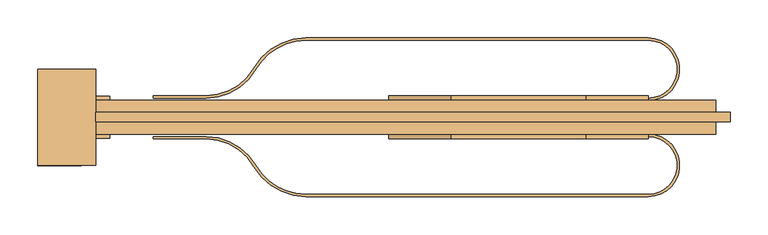
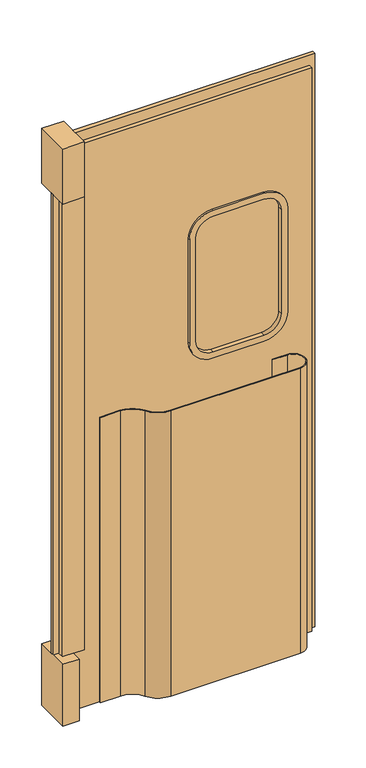
"""IFC4 building model written with IfcOpenShell, lengths in millimetres: door geometry."""

import ifcopenshell
import ifcopenshell.guid

model = None  # the IFC model being written
_history = None  # IfcOwnerHistory: only IFC2X3 demands one
_inside = {}  # id of a spatial element -> (the spatial element, [elements in it])
_under = {}  # id of a project, library or spatial element -> (it, [spatial elements below it])
_declared = {}  # id of a project -> (the project, [libraries it declares])
_typed = {}  # id of a type object -> (the type object, [elements of that type])
_made_of = {}  # id of a material, layer set ... -> (it, [elements and type objects made of it])


def new_model(schema):
    """Start an empty IFC model of exactly this schema.

    Asked for "IFC4X3", IfcOpenShell would pick the latest addendum, in which some entities
    have other attributes; the version numbers below select the first issue.
    IFC2X3 requires an IfcOwnerHistory on every rooted entity: one is made here for all.
    """
    global model, _history
    if schema == "IFC4X3":
        model = ifcopenshell.file(schema_version=(4, 3, 0, 0))
    else:
        model = ifcopenshell.file(schema=schema)
    _inside.clear()
    _under.clear()
    _declared.clear()
    _typed.clear()
    _made_of.clear()
    _history = None
    if model.schema == "IFC2X3":
        org = make("IfcOrganization", Name="unknown")
        user = make(
            "IfcPersonAndOrganization",
            ThePerson=make("IfcPerson", FamilyName="unknown"),
            TheOrganization=org,
        )
        app = make(
            "IfcApplication",
            ApplicationDeveloper=org,
            Version="unknown",
            ApplicationFullName="unknown",
            ApplicationIdentifier="unknown",
        )
        _history = make(
            "IfcOwnerHistory",
            OwningUser=user,
            OwningApplication=app,
            ChangeAction="ADDED",
            CreationDate=0,
        )
    return model


def make(cls, **values):
    """One entity of the class cls with the attributes given. An attribute that is None is left unset."""
    return model.create_entity(
        cls, **{name: value for name, value in values.items() if value is not None}
    )


def rooted(cls, **values):
    """An entity with a GlobalId (a new one), such as an element, a storey or a relation."""
    return make(cls, GlobalId=ifcopenshell.guid.new(), OwnerHistory=_history, **values)


def si_unit(unit_type, name, prefix=None):
    """IfcSIUnit, for example si_unit("LENGTHUNIT", "METRE", prefix="MILLI")."""
    return make("IfcSIUnit", UnitType=unit_type, Prefix=prefix, Name=name)


def assignment(units):
    """IfcUnitAssignment: the units of a project."""
    return None if units is None else make("IfcUnitAssignment", Units=units)


def point(xyz):
    """IfcCartesianPoint."""
    return None if xyz is None else make("IfcCartesianPoint", Coordinates=xyz)


def direction(xyz):
    """IfcDirection."""
    return None if xyz is None else make("IfcDirection", DirectionRatios=xyz)


def frame(location, z_axis=None, x_axis=None):
    """IfcAxis2Placement3D, a coordinate frame: its origin and axes. An axis left out is left unset."""
    return make(
        "IfcAxis2Placement3D",
        Location=point(location),
        Axis=direction(z_axis),
        RefDirection=direction(x_axis),
    )


def frame_2d(location, x_axis=None):
    """IfcAxis2Placement2D, a coordinate frame in the plane: its origin and x axis."""
    return make(
        "IfcAxis2Placement2D", Location=point(location), RefDirection=direction(x_axis)
    )


def origin():
    """The frame at (0, 0, 0) with its axes left unset."""
    return frame((0.0, 0.0, 0.0))


def origin_with_axes():
    """The frame at (0, 0, 0) with the z axis (0, 0, 1) and the x axis (1, 0, 0) written out."""
    return frame((0.0, 0.0, 0.0), z_axis=(0.0, 0.0, 1.0), x_axis=(1.0, 0.0, 0.0))


def place(relative_to, where):
    """IfcLocalPlacement: puts the frame where relative to a parent placement (None: the world)."""
    return make(
        "IfcLocalPlacement", PlacementRelTo=relative_to, RelativePlacement=where
    )


def context(
    kind, dimensions, precision=None, world=None, true_north=None, identifier=None
):
    """IfcGeometricRepresentationContext, for example the 3D "Model" context."""
    return make(
        "IfcGeometricRepresentationContext",
        ContextIdentifier=identifier,
        ContextType=kind,
        CoordinateSpaceDimension=dimensions,
        Precision=precision,
        WorldCoordinateSystem=world,
        TrueNorth=true_north,
    )


def project(units=None, contexts=None):
    """IfcProject with its units and contexts."""
    return rooted(
        "IfcProject",
        Name="project",
        RepresentationContexts=contexts,
        UnitsInContext=assignment(units),
    )


def spatial(cls, under=None, at=None, **own):
    """A site, building, storey or space (cls), placed at a placement, below another one or the project."""
    s = rooted(cls, ObjectPlacement=at, **own)
    if under is not None:
        _under.setdefault(under.id(), (under, []))[1].append(s)
    return s


def polyline(points):
    """IfcPolyline through the points."""
    return make("IfcPolyline", Points=[point(p) for p in points])


def circle_curve(where, radius):
    """IfcCircle in the frame where."""
    return make("IfcCircle", Position=where, Radius=radius)


def trimmed(basis, trim1, trim2, sense, master):
    """IfcTrimmedCurve: the piece of a basis curve between two trims."""
    return make(
        "IfcTrimmedCurve",
        BasisCurve=basis,
        Trim1=trim1,
        Trim2=trim2,
        SenseAgreement=sense,
        MasterRepresentation=master,
    )


def segment(curve, same_sense, transition):
    """IfcCompositeCurveSegment."""
    return make(
        "IfcCompositeCurveSegment",
        Transition=transition,
        SameSense=same_sense,
        ParentCurve=curve,
    )


def composite_curve(segments, self_intersect=None):
    """IfcCompositeCurve: segments joined end to end."""
    return make("IfcCompositeCurve", Segments=segments, SelfIntersect=self_intersect)


def outline(outer, holes=None, kind="AREA"):
    """IfcArbitraryClosedProfileDef: a profile drawn as a closed curve; with holes, ...WithVoids."""
    if holes is None:
        return make("IfcArbitraryClosedProfileDef", ProfileType=kind, OuterCurve=outer)
    return make(
        "IfcArbitraryProfileDefWithVoids",
        ProfileType=kind,
        OuterCurve=outer,
        InnerCurves=holes,
    )


def extrude(swept, where, along, depth):
    """IfcExtrudedAreaSolid: the profile swept, set in the frame where, extruded along a direction by depth."""
    return make(
        "IfcExtrudedAreaSolid",
        SweptArea=swept,
        Position=where,
        ExtrudedDirection=direction(along),
        Depth=depth,
    )


def shape(context_of_items, identifier, shape_type, items):
    """IfcShapeRepresentation: the items that make up one representation, for example the "Body"."""
    return make(
        "IfcShapeRepresentation",
        ContextOfItems=context_of_items,
        RepresentationIdentifier=identifier,
        RepresentationType=shape_type,
        Items=items,
    )


def source(mapping_origin, context_of_items, identifier, shape_type, items):
    """IfcRepresentationMap: a shape defined once, which mapped items show again and again."""
    return make(
        "IfcRepresentationMap",
        MappingOrigin=mapping_origin,
        MappedRepresentation=shape(context_of_items, identifier, shape_type, items),
    )


def transform(
    local_origin,
    x_axis=None,
    y_axis=None,
    z_axis=None,
    scale=None,
    scale2=None,
    scale3=None,
    uniform=True,
):
    """IfcCartesianTransformationOperator3D, or its non-uniform kind. x_axis, y_axis, z_axis: its Axis1, 2, 3."""
    if uniform:
        return make(
            "IfcCartesianTransformationOperator3D",
            Axis1=direction(x_axis),
            Axis2=direction(y_axis),
            LocalOrigin=point(local_origin),
            Scale=scale,
            Axis3=direction(z_axis),
        )
    return make(
        "IfcCartesianTransformationOperator3DnonUniform",
        Axis1=direction(x_axis),
        Axis2=direction(y_axis),
        LocalOrigin=point(local_origin),
        Scale=scale,
        Axis3=direction(z_axis),
        Scale2=scale2,
        Scale3=scale3,
    )


def mapped(mapping_source, mapping_target):
    """IfcMappedItem: shows the shape of a source again, moved by a transform."""
    return make(
        "IfcMappedItem", MappingSource=mapping_source, MappingTarget=mapping_target
    )


def made_of(thing, what):
    """Note that an element or type object is made of a material, layer set ...; save() writes the relation."""
    if what is not None:
        _made_of.setdefault(what.id(), (what, []))[1].append(thing)
    return thing


def element(
    cls,
    number,
    at=None,
    inside=None,
    cuts=None,
    type_object=None,
    material=None,
    context=None,
    identifier="Body",
    shape_type=None,
    held_by="IfcProductDefinitionShape",
    body=None,
    shapes=None,
    **own,
):
    """One element of the class cls, such as IfcWall. Its Tag is "e" and its number.

    at: its placement. inside: the storey or other place that contains it. cuts: it is an
    opening in that element (IfcRelVoidsElement). A single representation is given by context,
    identifier, shape_type and body (its items); several are given by shapes. held_by: the class
    of the entity that holds the representations. save() writes the other relations.
    """
    e = rooted(cls, Tag="e%d" % number, ObjectPlacement=at, **own)
    if body is not None:
        shapes = [shape(context, identifier, shape_type, body)]
    if shapes is not None:
        e.Representation = make(held_by, Representations=shapes)
    if inside is not None:
        _inside.setdefault(inside.id(), (inside, []))[1].append(e)
    if cuts is not None:
        rooted(
            "IfcRelVoidsElement", RelatingBuildingElement=cuts, RelatedOpeningElement=e
        )
    if type_object is not None:
        _typed.setdefault(type_object.id(), (type_object, []))[1].append(e)
    return made_of(e, material)


def aggregate(whole, parts):
    """IfcRelAggregates: a whole, such as a stair, and the parts it consists of."""
    return rooted("IfcRelAggregates", RelatingObject=whole, RelatedObjects=parts)


def save(model, path):
    """Write the relations noted so far, then the file.

    IfcRelAggregates (storeys below a building ...), IfcRelContainedInSpatialStructure (elements
    in a storey), IfcRelDefinesByType, IfcRelAssociatesMaterial and IfcRelDeclares: one each for
    every whole, place, type object, material and project.
    """
    for whole, parts in _under.values():
        aggregate(whole, parts)
    for where, things in _inside.values():
        rooted(
            "IfcRelContainedInSpatialStructure",
            RelatedElements=things,
            RelatingStructure=where,
        )
    for kind, things in _typed.values():
        rooted("IfcRelDefinesByType", RelatedObjects=things, RelatingType=kind)
    for what, things in _made_of.values():
        rooted("IfcRelAssociatesMaterial", RelatedObjects=things, RelatingMaterial=what)
    for by, libraries in _declared.values():
        rooted("IfcRelDeclares", RelatingContext=by, RelatedDefinitions=libraries)
    model.write(path)


def door_0891ccdc(model_context):
    return source(origin(), model_context, "Body", "SweptSolid", [
        extrude(outline(composite_curve([segment(trimmed(circle_curve(frame_2d((1397.8083965, -964.2410438)), 76.2), [point((1397.8083965, -888.0410438))], [point((1463.7995322, -926.1410438))], False, "CARTESIAN"), True, "CONTINUOUS"), segment(trimmed(circle_curve(frame_2d((1529.790668, -888.0410438)), 76.2), [point((1463.7995322, -926.1410438))], [point((1529.790668, -964.2410438))], True, "CARTESIAN"), True, "CONTINUOUS"), segment(polyline([(1529.790668, -964.2410438), (1982.0083965, -964.2410438)]), True, "CONTINUOUS"), segment(trimmed(circle_curve(frame_2d((1982.0083965, -926.1410438)), 38.1), [point((1982.0083965, -964.2410438))], [point((1982.0083965, -888.0410438))], True, "CARTESIAN"), True, "CONTINUOUS"), segment(polyline([(1982.0083965, -888.0410438), (1931.2083965, -888.0410438), (1931.2083965, -884.8660438), (1982.0083965, -884.8660438)]), True, "CONTINUOUS"), segment(trimmed(circle_curve(frame_2d((1982.0083965, -926.1410438)), 41.275), [point((1982.0083965, -884.8660438))], [point((1982.0083965, -967.4160438))], False, "CARTESIAN"), True, "CONTINUOUS"), segment(polyline([(1982.0083965, -967.4160438), (1529.790668, -967.4160438)]), True, "CONTINUOUS"), segment(trimmed(circle_curve(frame_2d((1529.790668, -888.0410438)), 79.375), [point((1529.790668, -967.4160438))], [point((1461.0499016, -927.7285438))], False, "CARTESIAN"), True, "CONTINUOUS"), segment(trimmed(circle_curve(frame_2d((1397.8083965, -964.2410438)), 73.025), [point((1461.0499016, -927.7285438))], [point((1397.8083965, -891.2160438))], True, "CARTESIAN"), True, "CONTINUOUS"), segment(polyline([(1397.8083965, -891.2160438), (1327.9583965, -891.2160438), (1327.9583965, -888.0410438), (1397.8083965, -888.0410438)]), True, "CONTINUOUS")], self_intersect=False)), frame((0.0, 0.0, 12.7), z_axis=(0.0, 0.0, 1.0), x_axis=(1.0, 0.0, 0.0)), (0.0, 0.0, 1.0), 1054.1),
        extrude(outline(composite_curve([segment(polyline([(1397.8083965, -837.2410438), (1327.9583965, -837.2410438), (1327.9583965, -834.0660438), (1397.8083965, -834.0660438)]), True, "CONTINUOUS"), segment(trimmed(circle_curve(frame_2d((1397.8083965, -761.0410438)), 73.025), [point((1397.8083965, -834.0660438))], [point((1461.0499016, -797.5535438))], True, "CARTESIAN"), True, "CONTINUOUS"), segment(trimmed(circle_curve(frame_2d((1529.790668, -837.2410438)), 79.375), [point((1461.0499016, -797.5535438))], [point((1529.790668, -757.8660438))], False, "CARTESIAN"), True, "CONTINUOUS"), segment(polyline([(1529.790668, -757.8660438), (1982.0083965, -757.8660438)]), True, "CONTINUOUS"), segment(trimmed(circle_curve(frame_2d((1982.0083965, -799.1410438)), 41.275), [point((1982.0083965, -757.8660438))], [point((1982.0083965, -840.4160438))], False, "CARTESIAN"), True, "CONTINUOUS"), segment(polyline([(1982.0083965, -840.4160438), (1931.2083965, -840.4160438), (1931.2083965, -837.2410438), (1982.0083965, -837.2410438)]), True, "CONTINUOUS"), segment(trimmed(circle_curve(frame_2d((1982.0083965, -799.1410438)), 38.1), [point((1982.0083965, -837.2410438))], [point((1982.0083965, -761.0410438))], True, "CARTESIAN"), True, "CONTINUOUS"), segment(polyline([(1982.0083965, -761.0410438), (1529.790668, -761.0410438)]), True, "CONTINUOUS"), segment(trimmed(circle_curve(frame_2d((1529.790668, -837.2410438)), 76.2), [point((1529.790668, -761.0410438))], [point((1463.7995322, -799.1410438))], True, "CARTESIAN"), True, "CONTINUOUS"), segment(trimmed(circle_curve(frame_2d((1397.8083965, -761.0410438)), 76.2), [point((1463.7995322, -799.1410438))], [point((1397.8083965, -837.2410438))], False, "CARTESIAN"), True, "CONTINUOUS")], self_intersect=False)), frame((0.0, 0.0, 12.7), z_axis=(0.0, 0.0, 1.0), x_axis=(1.0, 0.0, 0.0)), (0.0, 0.0, 1.0), 1054.1),
        extrude(outline(polyline([(1232.8406968, -926.1410438), (1175.6906968, -926.1410438), (1175.6906968, -799.1410438), (1232.8406968, -799.1410438), (1232.8406968, -926.1410438)])), origin_with_axes(), (0.0, 0.0, 1.0), 228.6),
        extrude(outline(polyline([(2095.5, 2071.0406968), (12.7, 2071.0406968), (12.7, 2090.0906968), (2133.6, 2090.0906968), (2133.6, 1251.8906968), (2095.5, 1251.8906968), (2095.5, 2071.0406968)])), frame((0.0, -868.9910438, 0.0), z_axis=(0.0, 1.0, 0.0), x_axis=(0.0, 0.0, 1.0)), (0.0, 0.0, 1.0), 12.7),
        extrude(outline(polyline([(1194.7406968, -868.9910438), (1175.6906968, -868.9910438), (1175.6906968, -856.2910438), (1194.7406968, -856.2910438), (1194.7406968, -868.9910438)])), frame((0.0, 0.0, 228.6), z_axis=(0.0, 0.0, 1.0), x_axis=(1.0, 0.0, 0.0)), (0.0, 0.0, 1.0), 1701.8),
        extrude(outline(polyline([(1270.9406968, -890.4222938), (1194.7406968, -890.4222938), (1194.7406968, -834.8597938), (1270.9406968, -834.8597938), (1270.9406968, -890.4222938)])), frame((0.0, 0.0, 228.6), z_axis=(0.0, 0.0, 1.0), x_axis=(1.0, 0.0, 0.0)), (0.0, 0.0, 1.0), 1701.8),
        extrude(outline(polyline([(1251.8906968, -926.1410438), (1175.6906968, -926.1410438), (1175.6906968, -799.1410438), (1251.8906968, -799.1410438), (1251.8906968, -926.1410438)])), frame((0.0, 0.0, 1930.4), z_axis=(0.0, 0.0, 1.0), x_axis=(1.0, 0.0, 0.0)), (0.0, 0.0, 1.0), 203.2),
        extrude(outline(composite_curve([segment(polyline([(1673.225, 1896.4156968), (1673.225, 1724.9656968)]), True, "CONTINUOUS"), segment(trimmed(circle_curve(frame_2d((1609.725, 1724.9656968)), 63.5), [point((1673.225, 1724.9656968))], [point((1609.725, 1661.4656968))], False, "CARTESIAN"), True, "CONTINUOUS"), segment(polyline([(1609.725, 1661.4656968), (1235.075, 1661.4656968)]), True, "CONTINUOUS"), segment(trimmed(circle_curve(frame_2d((1235.075, 1724.9656968)), 63.5), [point((1235.075, 1661.4656968))], [point((1171.575, 1724.9656968))], False, "CARTESIAN"), True, "CONTINUOUS"), segment(polyline([(1171.575, 1724.9656968), (1171.575, 1896.4156968)]), True, "CONTINUOUS"), segment(trimmed(circle_curve(frame_2d((1235.075, 1896.4156968)), 63.5), [point((1171.575, 1896.4156968))], [point((1235.075, 1959.9156968))], False, "CARTESIAN"), True, "CONTINUOUS"), segment(polyline([(1235.075, 1959.9156968), (1609.725, 1959.9156968)]), True, "CONTINUOUS"), segment(trimmed(circle_curve(frame_2d((1609.725, 1896.4156968)), 63.5), [point((1609.725, 1959.9156968))], [point((1673.225, 1896.4156968))], False, "CARTESIAN"), True, "CONTINUOUS")], self_intersect=False)), frame((0.0, -875.3410438, 0.0), z_axis=(0.0, 1.0, 0.0), x_axis=(0.0, 0.0, 1.0)), (0.0, 0.0, 1.0), 25.4),
        extrude(outline(composite_curve([segment(trimmed(circle_curve(frame_2d((1612.9, 1721.7906968)), 82.55), [point((1695.45, 1721.7906968))], [point((1612.9, 1639.2406968))], False, "CARTESIAN"), True, "CONTINUOUS"), segment(polyline([(1612.9, 1639.2406968), (1231.9, 1639.2406968)]), True, "CONTINUOUS"), segment(trimmed(circle_curve(frame_2d((1231.9, 1721.7906968)), 82.55), [point((1231.9, 1639.2406968))], [point((1149.35, 1721.7906968))], False, "CARTESIAN"), True, "CONTINUOUS"), segment(polyline([(1149.35, 1721.7906968), (1149.35, 1899.5906968)]), True, "CONTINUOUS"), segment(trimmed(circle_curve(frame_2d((1231.9, 1899.5906968)), 82.55), [point((1149.35, 1899.5906968))], [point((1231.9, 1982.1406968))], False, "CARTESIAN"), True, "CONTINUOUS"), segment(polyline([(1231.9, 1982.1406968), (1612.9, 1982.1406968)]), True, "CONTINUOUS"), segment(trimmed(circle_curve(frame_2d((1612.9, 1899.5906968)), 82.55), [point((1612.9, 1982.1406968))], [point((1695.45, 1899.5906968))], False, "CARTESIAN"), True, "CONTINUOUS"), segment(polyline([(1695.45, 1899.5906968), (1695.45, 1721.7906968)]), True, "CONTINUOUS")], self_intersect=False), holes=[composite_curve([segment(polyline([(1171.575, 1899.5906968), (1171.575, 1721.7906968)]), True, "CONTINUOUS"), segment(trimmed(circle_curve(frame_2d((1231.9, 1721.7906968)), 60.325), [point((1171.575, 1721.7906968))], [point((1231.9, 1661.4656968))], True, "CARTESIAN"), True, "CONTINUOUS"), segment(polyline([(1231.9, 1661.4656968), (1612.9, 1661.4656968)]), True, "CONTINUOUS"), segment(trimmed(circle_curve(frame_2d((1612.9, 1721.7906968)), 60.325), [point((1612.9, 1661.4656968))], [point((1673.225, 1721.7906968))], True, "CARTESIAN"), True, "CONTINUOUS"), segment(polyline([(1673.225, 1721.7906968), (1673.225, 1899.5906968)]), True, "CONTINUOUS"), segment(trimmed(circle_curve(frame_2d((1612.9, 1899.5906968)), 60.325), [point((1673.225, 1899.5906968))], [point((1612.9, 1959.9156968))], True, "CARTESIAN"), True, "CONTINUOUS"), segment(polyline([(1612.9, 1959.9156968), (1231.9, 1959.9156968)]), True, "CONTINUOUS"), segment(trimmed(circle_curve(frame_2d((1231.9, 1899.5906968)), 60.325), [point((1231.9, 1959.9156968))], [point((1171.575, 1899.5906968))], True, "CARTESIAN"), True, "CONTINUOUS")], self_intersect=False)]), frame((0.0, -891.2160438, 0.0), z_axis=(0.0, 1.0, 0.0), x_axis=(0.0, 0.0, 1.0)), (0.0, 0.0, 1.0), 57.15),
        extrude(outline(polyline([(2095.5, 2071.0406968), (2095.5, 1232.8406968), (12.7, 1232.8406968), (12.7, 2071.0406968), (2095.5, 2071.0406968)]), holes=[composite_curve([segment(trimmed(circle_curve(frame_2d((1612.9, 1899.5906968)), 82.55), [point((1695.45, 1899.5906968))], [point((1612.9, 1982.1406968))], True, "CARTESIAN"), True, "CONTINUOUS"), segment(polyline([(1612.9, 1982.1406968), (1231.9, 1982.1406968)]), True, "CONTINUOUS"), segment(trimmed(circle_curve(frame_2d((1231.9, 1899.5906968)), 82.55), [point((1231.9, 1982.1406968))], [point((1149.35, 1899.5906968))], True, "CARTESIAN"), True, "CONTINUOUS"), segment(polyline([(1149.35, 1899.5906968), (1149.35, 1721.7906968)]), True, "CONTINUOUS"), segment(trimmed(circle_curve(frame_2d((1231.9, 1721.7906968)), 82.55), [point((1149.35, 1721.7906968))], [point((1231.9, 1639.2406968))], True, "CARTESIAN"), True, "CONTINUOUS"), segment(polyline([(1231.9, 1639.2406968), (1612.9, 1639.2406968)]), True, "CONTINUOUS"), segment(trimmed(circle_curve(frame_2d((1612.9, 1721.7906968)), 82.55), [point((1612.9, 1639.2406968))], [point((1695.45, 1721.7906968))], True, "CARTESIAN"), True, "CONTINUOUS"), segment(polyline([(1695.45, 1721.7906968), (1695.45, 1899.5906968)]), True, "CONTINUOUS")], self_intersect=False)]), frame((0.0, -884.8660438, 0.0), z_axis=(0.0, 1.0, 0.0), x_axis=(0.0, 0.0, 1.0)), (0.0, 0.0, 1.0), 44.45),
    ])


if __name__ == "__main__":
    model = new_model("IFC4")
    model_context = context("Model", 3, world=origin())
    ifc_project = project(units=[si_unit("LENGTHUNIT", "METRE", prefix="MILLI")], contexts=[model_context])
    site = spatial("IfcSite", under=ifc_project)
    building = spatial("IfcBuilding", under=site)
    placement = place(None, origin())
    door_shape = door_0891ccdc(model_context)
    element("IfcDoor", 1, at=placement, inside=building, context=model_context, shape_type="MappedRepresentation", body=[
        mapped(door_shape, transform((0.0, 0.0, 0.0), x_axis=(1.0, 0.0, 0.0), y_axis=(0.0, 1.0, 0.0), z_axis=(0.0, 0.0, 1.0))),
    ])
    save(model, "model.ifc")
